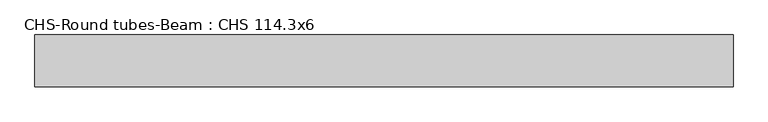
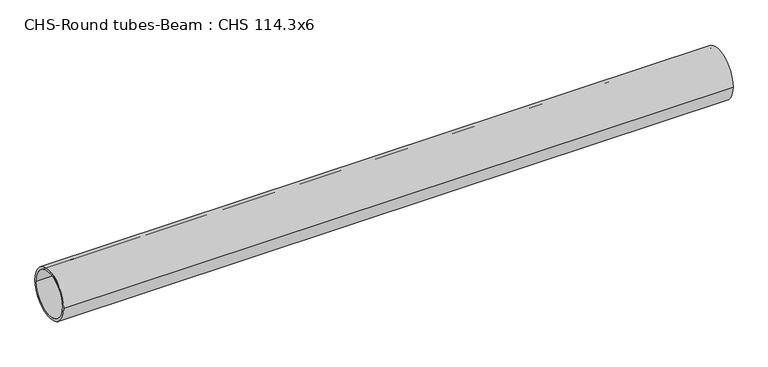
"""IFC4 building model written with IfcOpenShell, lengths in millimetres: beam geometry, CHS-Round tubes-Beam : CHS 114.3x6."""

from ifc_helpers import new_model, si_unit, point, frame, origin, origin_2d, place, context, project, spatial, circle_curve, trimmed, segment, composite_curve, outline, extrude, source, transform, mapped, element, save


def chs_round_tubes_beam_chs_114_3x6_c1e67da5(model_context):
    return source(origin(), model_context, "Body", "SweptSolid", [
        extrude(outline(composite_curve([segment(trimmed(circle_curve(origin_2d(), 57.15), [point((57.15, 0.0))], [point((-57.15, 0.0))], False, "CARTESIAN"), True, "CONTINUOUS"), segment(trimmed(circle_curve(origin_2d(), 57.15), [point((-57.15, 0.0))], [point((57.15, 0.0))], False, "CARTESIAN"), True, "CONTINUOUS")], self_intersect=False), holes=[composite_curve([segment(trimmed(circle_curve(origin_2d(), 51.15), [point((51.15, 0.0))], [point((-51.15, 0.0))], True, "CARTESIAN"), True, "CONTINUOUS"), segment(trimmed(circle_curve(origin_2d(), 51.15), [point((-51.15, 0.0))], [point((51.15, 0.0))], True, "CARTESIAN"), True, "CONTINUOUS")], self_intersect=False)]), frame((-739.6969888, 0.0, 0.0), z_axis=(1.0, 0.0, 0.0), x_axis=(0.0, 1.0, 0.0)), (0.0, 0.0, 1.0), 1533.7200206),
    ])


if __name__ == "__main__":
    model = new_model("IFC4")
    model_context = context("Model", 3, world=origin())
    ifc_project = project(units=[si_unit("LENGTHUNIT", "METRE", prefix="MILLI")], contexts=[model_context])
    site = spatial("IfcSite", under=ifc_project)
    building = spatial("IfcBuilding", under=site)
    placement = place(None, origin())
    chs_round_tubes_beam_chs_114_3x6_shape = chs_round_tubes_beam_chs_114_3x6_c1e67da5(model_context)
    element("IfcBeam", 1, ObjectType="CHS-Round tubes-Beam : CHS 114.3x6", at=placement, inside=building, context=model_context, shape_type="MappedRepresentation", body=[
        mapped(chs_round_tubes_beam_chs_114_3x6_shape, transform((0.0, 0.0, 0.0), x_axis=(1.0, 0.0, 0.0), y_axis=(0.0, 1.0, 0.0), z_axis=(0.0, 0.0, 1.0))),
    ])
    save(model, "model.ifc")
